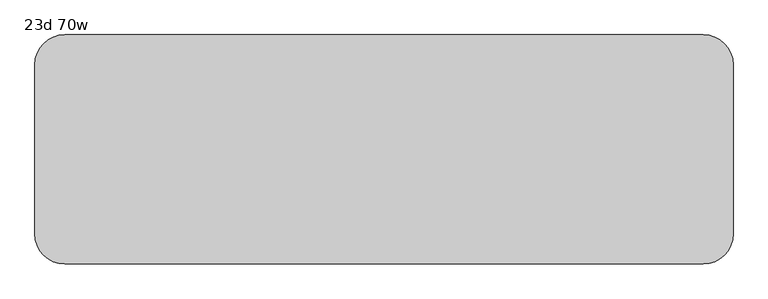
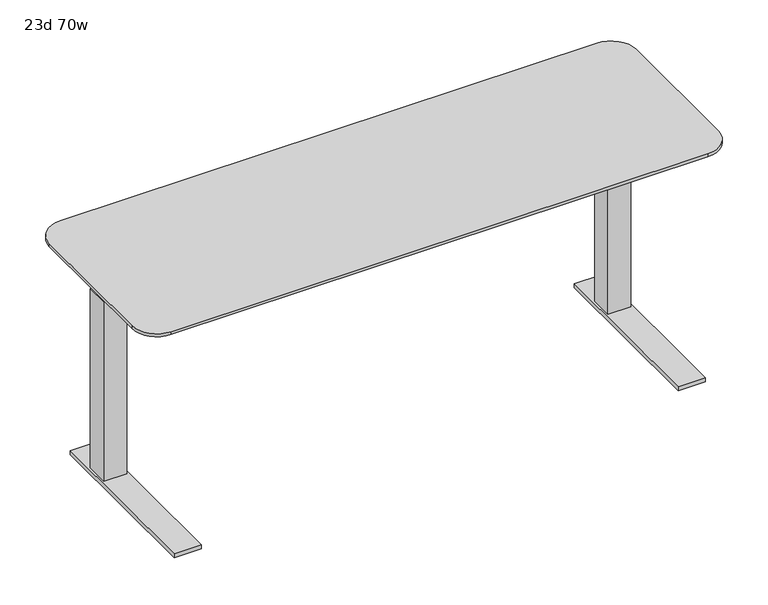
"""IFC4 building model written with IfcOpenShell, lengths in millimetres: furniture geometry, 23d 70w."""

from ifc_helpers import new_model, si_unit, point, frame, frame_2d, origin, origin_with_axes, place, context, project, spatial, polyline, circle_curve, trimmed, segment, composite_curve, outline, extrude, faceted_brep, source, transform, mapped, element, save
from ifc_brep_helpers import plane_surface, cylinder_surface, revolved_surface, advanced_brep


def furniture_23d_70w_e5d09dcd(model_context):
    return source(origin(), model_context, "Body", "SolidModel", [
        advanced_brep(
        [(-368.3, -453.7534766, 736.6), (1257.3, -453.7534766, 736.6), (1333.5, -377.5534766, 736.6), (1333.5, 54.2465234, 736.6), (1257.3, 130.4465234, 736.6), (-368.3, 130.4465234, 736.6), (-444.5, 54.2465234, 736.6), (-444.5, -377.5534766, 736.6), (1257.3, -402.9534766, 706.4375), (-368.3, -402.9534766, 706.4375), (-393.7, -377.5534766, 706.4375), (-393.7, 54.2465234, 706.4375), (-368.3, 79.6465234, 706.4375), (1257.3, 79.6465234, 706.4375), (1282.7, 54.2465234, 706.4375), (1282.7, -377.5534766, 706.4375), (-368.3, -453.7534766, 727.075), (1257.3, -453.7534766, 727.075), (1333.5, -377.5534766, 727.075), (1333.5, 54.2465234, 727.075), (1257.3, 130.4465234, 727.075), (-368.3, 130.4465234, 727.075), (-444.5, 54.2465234, 727.075), (-444.5, -377.5534766, 727.075)],
        [
            (0, 1),
            (1, 2, circle_curve(frame((1257.3, -377.5534766, 736.6), z_axis=(0.0, 0.0, 1.0), x_axis=(1.0, 0.0, 0.0)), 76.2)),
            (2, 3),
            (3, 4, circle_curve(frame((1257.3, 54.2465234, 736.6), z_axis=(0.0, 0.0, 1.0), x_axis=(1.0, 0.0, 0.0)), 76.2)),
            (4, 5),
            (5, 6, circle_curve(frame((-368.3, 54.2465234, 736.6), z_axis=(0.0, 0.0, 1.0), x_axis=(1.0, 0.0, 0.0)), 76.2)),
            (6, 7),
            (7, 0, circle_curve(frame((-368.3, -377.5534766, 736.6), z_axis=(0.0, 0.0, 1.0), x_axis=(1.0, 0.0, 0.0)), 76.2)),
            (8, 9),
            (9, 10, circle_curve(frame((-368.3, -377.5534766, 706.4375), z_axis=(0.0, 0.0, -1.0), x_axis=(-1.0, 0.0, 0.0)), 25.4)),
            (10, 11),
            (11, 12, circle_curve(frame((-368.3, 54.2465234, 706.4375), z_axis=(0.0, 0.0, -1.0), x_axis=(0.0, 1.0, 0.0)), 25.4)),
            (12, 13),
            (13, 14, circle_curve(frame((1257.3, 54.2465234, 706.4375), z_axis=(0.0, 0.0, -1.0), x_axis=(1.0, 0.0, 0.0)), 25.4)),
            (14, 15),
            (15, 8, circle_curve(frame((1257.3, -377.5534766, 706.4375), z_axis=(0.0, 0.0, -1.0), x_axis=(0.0, -1.0, 0.0)), 25.4)),
            (0, 16),
            (16, 17),
            (17, 1),
            (2, 18),
            (18, 19),
            (19, 3),
            (17, 18, circle_curve(frame((1257.3, -377.5534766, 727.075), z_axis=(0.0, 0.0, 1.0), x_axis=(1.0, 0.0, 0.0)), 76.2)),
            (4, 20),
            (20, 21),
            (21, 5),
            (8, 17),
            (16, 9),
            (15, 18),
            (14, 19),
            (13, 20),
            (20, 19, circle_curve(frame((1257.3, 54.2465234, 727.075), z_axis=(0.0, 0.0, -1.0), x_axis=(1.0, 0.0, 0.0)), 76.2)),
            (12, 21),
            (6, 22),
            (22, 23),
            (23, 7),
            (21, 22, circle_curve(frame((-368.3, 54.2465234, 727.075), z_axis=(0.0, 0.0, 1.0), x_axis=(1.0, 0.0, 0.0)), 76.2)),
            (23, 16, circle_curve(frame((-368.3, -377.5534766, 727.075), z_axis=(0.0, 0.0, 1.0), x_axis=(1.0, 0.0, 0.0)), 76.2)),
            (11, 22),
            (10, 23),
        ],
        [
            plane_surface(frame((1257.3, -453.7534766, 736.6), z_axis=(0.0, 0.0, 1.0), x_axis=(1.0, 0.0, 0.0))),
            plane_surface(frame((1257.3, -453.7534766, 706.4375), z_axis=(0.0, 0.0, -1.0), x_axis=(-1.0, 0.0, 0.0))),
            plane_surface(frame((-368.3, -453.7534766, 736.6), z_axis=(0.0, -1.0, 0.0), x_axis=(0.0, 0.0, -1.0))),
            plane_surface(frame((1333.5, -377.5534766, 736.6), z_axis=(1.0, 0.0, 0.0), x_axis=(0.0, 0.0, -1.0))),
            cylinder_surface(frame((1257.3, -377.5534766, 706.4375), z_axis=(0.0, 0.0, 1.0), x_axis=(1.0, 0.0, 0.0)), 76.2),
            plane_surface(frame((1257.3, 130.4465234, 736.6), z_axis=(0.0, 1.0, 0.0), x_axis=(0.0, 0.0, -1.0))),
            plane_surface(frame((-368.3, -453.7534766, 727.075), z_axis=(0.0, -0.3763770469570871, -0.9264665771218423), x_axis=(1.0, 0.0, 0.0))),
            revolved_surface(polyline([(1257.3, -402.9534766, 706.4375), (1257.3, -453.7534766, 727.075)]), (1257.3, -377.5534766, 706.4375), (0.0, 0.0, 1.0)),
            plane_surface(frame((1333.5, -377.5534766, 727.075), z_axis=(0.3763770469570871, 0.0, -0.9264665771218423), x_axis=(0.0, 1.0, 0.0))),
            revolved_surface(polyline([(1282.7, 54.2465234, 706.4375), (1333.5, 54.2465234, 727.075)]), (1257.3, 54.2465234, 706.4375), (0.0, 0.0, 1.0)),
            plane_surface(frame((1257.3, 130.4465234, 727.075), z_axis=(0.0, 0.3763770469570871, -0.9264665771218423), x_axis=(-1.0, 0.0, 0.0))),
            cylinder_surface(frame((1257.3, 54.2465234, 706.4375), z_axis=(0.0, 0.0, 1.0), x_axis=(1.0, 0.0, 0.0)), 76.2),
            plane_surface(frame((-444.5, 54.2465234, 736.6), z_axis=(-1.0, 0.0, 0.0), x_axis=(0.0, 0.0, -1.0))),
            cylinder_surface(frame((-368.3, 54.2465234, 706.4375), z_axis=(0.0, 0.0, 1.0), x_axis=(1.0, 0.0, 0.0)), 76.2),
            cylinder_surface(frame((-368.3, -377.5534766, 706.4375), z_axis=(0.0, 0.0, 1.0), x_axis=(1.0, 0.0, 0.0)), 76.2),
            revolved_surface(polyline([(-368.3, 79.6465234, 706.4375), (-368.3, 130.4465234, 727.075)]), (-368.3, 54.2465234, 706.4375), (0.0, 0.0, 1.0)),
            plane_surface(frame((-444.5, 54.2465234, 727.075), z_axis=(-0.3763770469570871, 0.0, -0.9264665771218423), x_axis=(0.0, -1.0, 0.0))),
            revolved_surface(polyline([(-393.7, -377.5534766, 706.4375), (-444.5, -377.5534766, 727.075)]), (-368.3, -377.5534766, 706.4375), (0.0, 0.0, 1.0)),
        ],
        [
            (0, [[1, 2, 3, 4, 5, 6, 7, 8]]),
            (1, [[9, 10, 11, 12, 13, 14, 15, 16]]),
            (2, [[-1, 17, 18, 19]]),
            (3, [[-3, 20, 21, 22]]),
            (4, [[-2, -19, 23, -20]]),
            (5, [[-5, 24, 25, 26]]),
            (6, [[27, -18, 28, -9]]),
            (7, [[-27, -16, 29, -23]]),
            (8, [[-29, -15, 30, -21]]),
            (9, [[-30, -14, 31, 32]]),
            (10, [[-31, -13, 33, -25]]),
            (11, [[-4, -22, -32, -24]]),
            (12, [[-7, 34, 35, 36]]),
            (13, [[-6, -26, 37, -34]]),
            (14, [[-8, -36, 38, -17]]),
            (15, [[-33, -12, 39, -37]]),
            (16, [[-39, -11, 40, -35]]),
            (17, [[-28, -38, -40, -10]]),
        ],
    ),
        extrude(outline(composite_curve([segment(trimmed(circle_curve(frame_2d((1208.0875, 22.4965234)), 28.5342152), [point((1236.6217152, 22.4965234))], [point((1179.5532848, 22.4965234))], False, "CARTESIAN"), True, "CONTINUOUS"), segment(trimmed(circle_curve(frame_2d((1208.0875, 22.4965234)), 28.5342152), [point((1179.5532848, 22.4965234))], [point((1236.6217152, 22.4965234))], False, "CARTESIAN"), True, "CONTINUOUS")], self_intersect=False)), origin_with_axes(), (0.0, 0.0, 1.0), 9.525),
        extrude(outline(composite_curve([segment(trimmed(circle_curve(frame_2d((1208.0875, -347.3909766)), 28.6553383), [point((1236.7428383, -347.3909766))], [point((1179.4321617, -347.3909766))], False, "CARTESIAN"), True, "CONTINUOUS"), segment(trimmed(circle_curve(frame_2d((1208.0875, -347.3909766)), 28.6553383), [point((1179.4321617, -347.3909766))], [point((1236.7428383, -347.3909766))], False, "CARTESIAN"), True, "CONTINUOUS")], self_intersect=False)), origin_with_axes(), (0.0, 0.0, 1.0), 9.525),
        extrude(outline(polyline([(1177.925, -9.2534766), (1238.25, -9.2534766), (1238.25, -69.5784766), (1177.925, -69.5784766), (1177.925, -9.2534766)])), frame((0.0, 0.0, 596.9), z_axis=(0.0, 0.0, 1.0), x_axis=(1.0, 0.0, 0.0)), (0.0, 0.0, 1.0), 109.5375),
        faceted_brep([(1166.8125, 90.7590234, 9.525), (1166.8125, -453.7534766, 9.525), (1166.8125, -453.7534766, 22.225), (1166.8125, 90.7590234, 22.225), (1249.3625, 90.7590234, 9.525), (1249.3625, 90.7590234, 22.225), (1249.3625, -453.7534766, 22.225), (1249.3625, -453.7534766, 9.525), (1173.1625, -4.4909766, 596.9), (1173.1625, -74.3409766, 596.9), (1243.0125, -74.3409766, 596.9), (1243.0125, -4.4909766, 596.9), (1243.0125, -4.4909766, 22.225), (1173.1625, -4.4909766, 22.225), (1243.0125, -74.3409766, 22.225), (1173.1625, -74.3409766, 22.225)], [[[0, 1, 2, 3]], [[4, 5, 6, 7]], [[0, 4, 7, 1]], [[8, 9, 10, 11]], [[11, 12, 13, 8]], [[10, 14, 12, 11]], [[9, 15, 14, 10]], [[8, 13, 15, 9]], [[3, 5, 4, 0]], [[2, 6, 5, 3], [12, 14, 15, 13]], [[1, 7, 6, 2]]]),
        extrude(outline(polyline([(122.5090234, 706.4375), (122.5090234, 697.1238172), (-19.4652187, 639.7625), (-134.112735, 639.7625), (-283.8909766, 668.8764409), (-283.8909766, 706.4375), (122.5090234, 706.4375)])), frame((1243.0125, 0.0, 0.0), z_axis=(1.0, 0.0, 0.0), x_axis=(0.0, 1.0, 0.0)), (0.0, 0.0, 1.0), 3.175),
        extrude(outline(composite_curve([segment(trimmed(circle_curve(frame_2d((-319.0875, 22.4965234)), 28.5342152), [point((-347.6217152, 22.4965234))], [point((-290.5532848, 22.4965234))], False, "CARTESIAN"), True, "CONTINUOUS"), segment(trimmed(circle_curve(frame_2d((-319.0875, 22.4965234)), 28.5342152), [point((-290.5532848, 22.4965234))], [point((-347.6217152, 22.4965234))], False, "CARTESIAN"), True, "CONTINUOUS")], self_intersect=False)), origin_with_axes(), (0.0, 0.0, 1.0), 9.525),
        extrude(outline(composite_curve([segment(trimmed(circle_curve(frame_2d((-319.0875, -347.3909766)), 28.6553383), [point((-347.7428383, -347.3909766))], [point((-290.4321617, -347.3909766))], False, "CARTESIAN"), True, "CONTINUOUS"), segment(trimmed(circle_curve(frame_2d((-319.0875, -347.3909766)), 28.6553383), [point((-290.4321617, -347.3909766))], [point((-347.7428383, -347.3909766))], False, "CARTESIAN"), True, "CONTINUOUS")], self_intersect=False)), origin_with_axes(), (0.0, 0.0, 1.0), 9.525),
        extrude(outline(polyline([(-288.925, -9.2534766), (-288.925, -69.5784766), (-349.25, -69.5784766), (-349.25, -9.2534766), (-288.925, -9.2534766)])), frame((0.0, 0.0, 596.9), z_axis=(0.0, 0.0, 1.0), x_axis=(1.0, 0.0, 0.0)), (0.0, 0.0, 1.0), 109.5375),
        faceted_brep([(-277.8125, 90.7590234, 9.525), (-277.8125, 90.7590234, 22.225), (-277.8125, -453.7534766, 22.225), (-277.8125, -453.7534766, 9.525), (-360.3625, 90.7590234, 9.525), (-360.3625, -453.7534766, 9.525), (-360.3625, -453.7534766, 22.225), (-360.3625, 90.7590234, 22.225), (-284.1625, -4.4909766, 596.9), (-354.0125, -4.4909766, 596.9), (-354.0125, -74.3409766, 596.9), (-284.1625, -74.3409766, 596.9), (-284.1625, -4.4909766, 22.225), (-354.0125, -4.4909766, 22.225), (-354.0125, -74.3409766, 22.225), (-284.1625, -74.3409766, 22.225)], [[[0, 1, 2, 3]], [[4, 5, 6, 7]], [[0, 3, 5, 4]], [[8, 9, 10, 11]], [[9, 8, 12, 13]], [[10, 9, 13, 14]], [[11, 10, 14, 15]], [[8, 11, 15, 12]], [[1, 0, 4, 7]], [[2, 1, 7, 6], [13, 12, 15, 14]], [[3, 2, 6, 5]]]),
        extrude(outline(polyline([(122.5090234, 706.4375), (122.5090234, 697.1238172), (-19.4652187, 639.7625), (-134.112735, 639.7625), (-283.8909766, 668.8764409), (-283.8909766, 706.4375), (122.5090234, 706.4375)])), frame((-357.1875, 0.0, 0.0), z_axis=(1.0, 0.0, 0.0), x_axis=(0.0, 1.0, 0.0)), (0.0, 0.0, 1.0), 3.175),
        extrude(outline(polyline([(25.4585171, 649.8500141), (-89.8230727, 649.8500141), (-89.8230727, 697.9814512), (-109.5630742, 697.9814512), (-109.5630742, 689.8499708), (-112.1930735, 689.8499708), (-112.1930735, 700.6603575), (47.8331325, 700.6603575), (47.8331325, 689.8499708), (45.2031332, 689.8499708), (45.2031332, 697.9814512), (25.4585171, 697.9814512), (25.4585171, 649.8500141)])), frame((-284.1625, 0.0, 0.0), z_axis=(1.0, 0.0, 0.0), x_axis=(0.0, 1.0, 0.0)), (0.0, 0.0, 1.0), 1457.325),
    ])


if __name__ == "__main__":
    model = new_model("IFC4")
    model_context = context("Model", 3, world=origin())
    ifc_project = project(units=[si_unit("LENGTHUNIT", "METRE", prefix="MILLI")], contexts=[model_context])
    site = spatial("IfcSite", under=ifc_project)
    building = spatial("IfcBuilding", under=site)
    placement = place(None, origin())
    furniture_23d_70w_shape = furniture_23d_70w_e5d09dcd(model_context)
    element("IfcFurniture", 1, ObjectType="23d 70w", at=placement, inside=building, context=model_context, shape_type="MappedRepresentation", body=[
        mapped(furniture_23d_70w_shape, transform((0.0, 0.0, 0.0), x_axis=(1.0, 0.0, 0.0), y_axis=(0.0, 1.0, 0.0), z_axis=(0.0, 0.0, 1.0))),
    ])
    save(model, "model.ifc")
